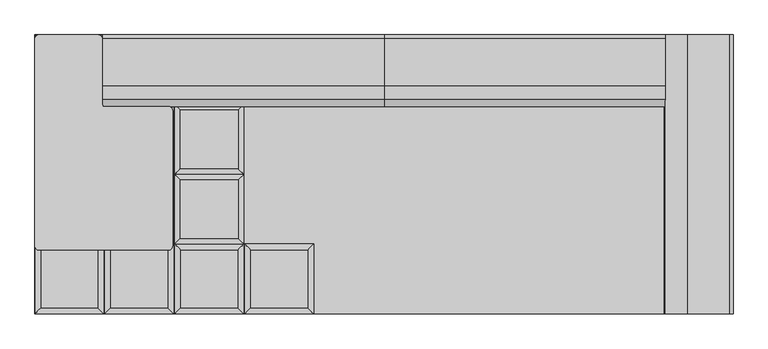
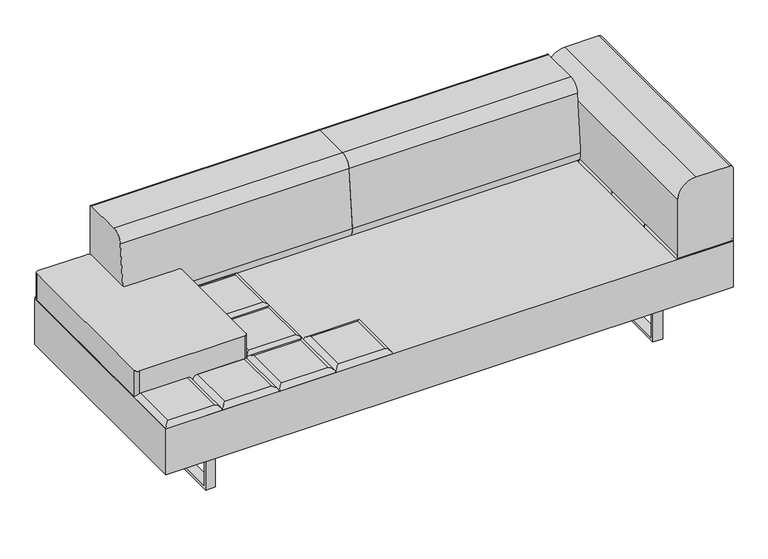
"""IFC4 building model written with IfcOpenShell, lengths in millimetres: furniture geometry."""

from ifc_helpers import new_model, si_unit, point, frame, frame_2d, origin, place, context, project, spatial, polyline, circle_curve, ellipse_curve, trimmed, segment, composite_curve, outline, extrude, source, transform, mapped, element, save
from ifc_brep_helpers import plane_surface, cylinder_surface, advanced_brep


def furniture_9a523c60(model_context):
    return source(origin(), model_context, "Body", "SolidModel", [
        advanced_brep(
        [(-223.9433333, -222.25, 393.7), (-241.9038456, -240.2105122, 411.6605122), (-241.9038456, -426.5394878, 411.6605122), (-223.9433333, -444.5, 393.7), (-425.6928211, -426.5394878, 411.6605122), (-443.6533333, -444.5, 393.7), (-425.6928211, -240.2105122, 411.6605122), (-443.6533333, -222.25, 393.7)],
        [
            (0, 1, ellipse_curve(frame((-241.9038456, -240.2105122, 393.7), z_axis=(0.7071067811865475, -0.7071067811865475, 0.0), x_axis=(0.7071067811865474, 0.7071067811865476, 0.0)), 25.4, 17.9605122)),
            (1, 2),
            (2, 3, ellipse_curve(frame((-241.9038456, -426.5394878, 393.7), z_axis=(0.7071067811865475, 0.7071067811865475, 0.0), x_axis=(-0.7071067811865474, 0.7071067811865476, 0.0)), 25.4, 17.9605122)),
            (3, 0),
            (2, 4),
            (4, 5, ellipse_curve(frame((-425.6928211, -426.5394878, 393.7), z_axis=(0.7071067811865475, -0.7071067811865475, 0.0), x_axis=(0.7071067811865476, 0.7071067811865474, 0.0)), 25.4, 17.9605122)),
            (5, 3),
            (4, 6),
            (6, 7, ellipse_curve(frame((-425.6928211, -240.2105122, 393.7), z_axis=(-0.7071067811865475, -0.7071067811865475, 0.0), x_axis=(0.7071067811865474, -0.7071067811865476, 0.0)), 25.4, 17.9605122)),
            (7, 5),
            (0, 7),
            (6, 1),
        ],
        [
            cylinder_surface(frame((-241.9038456, -222.25, 393.7), z_axis=(0.0, 1.0, 0.0), x_axis=(1.0, 0.0, 0.0)), 17.9605122),
            cylinder_surface(frame((-223.9433333, -426.5394878, 393.7), z_axis=(1.0, 0.0, 0.0), x_axis=(0.0, -1.0, 0.0)), 17.9605122),
            cylinder_surface(frame((-425.6928211, -444.5, 393.7), z_axis=(0.0, -1.0, 0.0), x_axis=(-1.0, 0.0, 0.0)), 17.9605122),
            cylinder_surface(frame((-443.6533333, -240.2105122, 393.7), z_axis=(-1.0, 0.0, 0.0), x_axis=(0.0, 1.0, 0.0)), 17.9605122),
            plane_surface(frame((-443.6533333, -222.25, 393.7), z_axis=(0.0, 0.0, -1.0), x_axis=(1.0, 0.0, 0.0))),
            plane_surface(frame((-425.6928211, -240.2105122, 411.6605122), z_axis=(0.0, 0.0, 1.0), x_axis=(-1.0, 0.0, 0.0))),
        ],
        [
            (0, [[1, 2, 3, 4]]),
            (1, [[-3, 5, 6, 7]]),
            (2, [[-6, 8, 9, 10]]),
            (3, [[-1, 11, -9, 12]]),
            (4, [[-4, -7, -10, -11]]),
            (5, [[-2, -12, -8, -5]]),
        ],
    ),
        advanced_brep(
        [(-464.4360678, -204.2894878, 411.6605122), (-464.4360678, -17.9605122, 411.6605122), (-648.2250433, -17.9605122, 411.6605122), (-648.2250433, -204.2894878, 411.6605122), (-446.4755556, 0.0, 393.7), (-446.4755556, -222.25, 393.7), (-666.1855556, -222.25, 393.7), (-666.1855556, 0.0, 393.7)],
        [
            (0, 1),
            (1, 2),
            (2, 3),
            (3, 0),
            (4, 5),
            (5, 6),
            (6, 7),
            (7, 4),
            (4, 1, ellipse_curve(frame((-464.4360678, -17.9605122, 393.7), z_axis=(0.7071067811865475, -0.7071067811865475, 0.0), x_axis=(0.7071067811865474, 0.7071067811865476, 0.0)), 25.4, 17.9605122)),
            (0, 5, ellipse_curve(frame((-464.4360678, -204.2894878, 393.7), z_axis=(0.7071067811865475, 0.7071067811865475, 0.0), x_axis=(-0.7071067811865474, 0.7071067811865476, 0.0)), 25.4, 17.9605122)),
            (3, 6, ellipse_curve(frame((-648.2250433, -204.2894878, 393.7), z_axis=(0.7071067811865475, -0.7071067811865475, 0.0), x_axis=(0.7071067811865476, 0.7071067811865474, 0.0)), 25.4, 17.9605122)),
            (2, 7, ellipse_curve(frame((-648.2250433, -17.9605122, 393.7), z_axis=(-0.7071067811865475, -0.7071067811865475, 0.0), x_axis=(0.7071067811865474, -0.7071067811865476, 0.0)), 25.4, 17.9605122)),
        ],
        [
            plane_surface(frame((-648.2250433, -17.9605122, 411.6605122), z_axis=(0.0, 0.0, 1.0), x_axis=(-1.0, 0.0, 0.0))),
            plane_surface(frame((-648.2250433, -17.9605122, 393.7), z_axis=(0.0, 0.0, -1.0), x_axis=(1.0, 0.0, 0.0))),
            cylinder_surface(frame((-464.4360678, 0.0, 393.7), z_axis=(0.0, 1.0, 0.0), x_axis=(1.0, 0.0, 0.0)), 17.9605122),
            cylinder_surface(frame((-446.4755556, -204.2894878, 393.7), z_axis=(1.0, 0.0, 0.0), x_axis=(0.0, -1.0, 0.0)), 17.9605122),
            cylinder_surface(frame((-648.2250433, -222.25, 393.7), z_axis=(0.0, -1.0, 0.0), x_axis=(-1.0, 0.0, 0.0)), 17.9605122),
            cylinder_surface(frame((-666.1855556, -17.9605122, 393.7), z_axis=(-1.0, 0.0, 0.0), x_axis=(0.0, 1.0, 0.0)), 17.9605122),
        ],
        [
            (0, [[1, 2, 3, 4]]),
            (1, [[5, 6, 7, 8]]),
            (2, [[9, -1, 10, -5]]),
            (3, [[-10, -4, 11, -6]]),
            (4, [[-11, -3, 12, -7]]),
            (5, [[-9, -8, -12, -2]]),
        ],
    ),
        advanced_brep(
        [(-464.4360678, 17.9605122, 411.6605122), (-464.4360678, 204.2894878, 411.6605122), (-648.2250433, 204.2894878, 411.6605122), (-648.2250433, 17.9605122, 411.6605122), (-446.4755556, 222.25, 393.7), (-446.4755556, 0.0, 393.7), (-666.1855556, 0.0, 393.7), (-666.1855556, 222.25, 393.7)],
        [
            (0, 1),
            (1, 2),
            (2, 3),
            (3, 0),
            (4, 5),
            (5, 6),
            (6, 7),
            (7, 4),
            (4, 1, ellipse_curve(frame((-464.4360678, 204.2894878, 393.7), z_axis=(0.7071067811865475, -0.7071067811865475, 0.0), x_axis=(0.7071067811865474, 0.7071067811865476, 0.0)), 25.4, 17.9605122)),
            (0, 5, ellipse_curve(frame((-464.4360678, 17.9605122, 393.7), z_axis=(0.7071067811865475, 0.7071067811865475, 0.0), x_axis=(-0.7071067811865474, 0.7071067811865476, 0.0)), 25.4, 17.9605122)),
            (3, 6, ellipse_curve(frame((-648.2250433, 17.9605122, 393.7), z_axis=(0.7071067811865475, -0.7071067811865475, 0.0), x_axis=(0.7071067811865476, 0.7071067811865474, 0.0)), 25.4, 17.9605122)),
            (2, 7, ellipse_curve(frame((-648.2250433, 204.2894878, 393.7), z_axis=(-0.7071067811865475, -0.7071067811865475, 0.0), x_axis=(0.7071067811865474, -0.7071067811865476, 0.0)), 25.4, 17.9605122)),
        ],
        [
            plane_surface(frame((-648.2250433, 204.2894878, 411.6605122), z_axis=(0.0, 0.0, 1.0), x_axis=(-1.0, 0.0, 0.0))),
            plane_surface(frame((-648.2250433, 204.2894878, 393.7), z_axis=(0.0, 0.0, -1.0), x_axis=(1.0, 0.0, 0.0))),
            cylinder_surface(frame((-464.4360678, 222.25, 393.7), z_axis=(0.0, 1.0, 0.0), x_axis=(1.0, 0.0, 0.0)), 17.9605122),
            cylinder_surface(frame((-446.4755556, 17.9605122, 393.7), z_axis=(1.0, 0.0, 0.0), x_axis=(0.0, -1.0, 0.0)), 17.9605122),
            cylinder_surface(frame((-648.2250433, 0.0, 393.7), z_axis=(0.0, -1.0, 0.0), x_axis=(-1.0, 0.0, 0.0)), 17.9605122),
            cylinder_surface(frame((-666.1855556, 204.2894878, 393.7), z_axis=(-1.0, 0.0, 0.0), x_axis=(0.0, 1.0, 0.0)), 17.9605122),
        ],
        [
            (0, [[1, 2, 3, 4]]),
            (1, [[5, 6, 7, 8]]),
            (2, [[9, -1, 10, -5]]),
            (3, [[-10, -4, 11, -6]]),
            (4, [[-11, -3, 12, -7]]),
            (5, [[-9, -8, -12, -2]]),
        ],
    ),
        advanced_brep(
        [(-464.4360678, 240.2105122, 411.6605122), (-464.4360678, 426.5394878, 411.6605122), (-648.2250433, 426.5394878, 411.6605122), (-648.2250433, 240.2105122, 411.6605122), (-446.4755556, 444.5, 393.7), (-446.4755556, 222.25, 393.7), (-666.1855556, 222.25, 393.7), (-666.1855556, 444.5, 393.7)],
        [
            (0, 1),
            (1, 2),
            (2, 3),
            (3, 0),
            (4, 5),
            (5, 6),
            (6, 7),
            (7, 4),
            (4, 1, ellipse_curve(frame((-464.4360678, 426.5394878, 393.7), z_axis=(0.7071067811865475, -0.7071067811865475, 0.0), x_axis=(0.7071067811865474, 0.7071067811865476, 0.0)), 25.4, 17.9605122)),
            (0, 5, ellipse_curve(frame((-464.4360678, 240.2105122, 393.7), z_axis=(0.7071067811865475, 0.7071067811865475, 0.0), x_axis=(-0.7071067811865474, 0.7071067811865476, 0.0)), 25.4, 17.9605122)),
            (3, 6, ellipse_curve(frame((-648.2250433, 240.2105122, 393.7), z_axis=(0.7071067811865475, -0.7071067811865475, 0.0), x_axis=(0.7071067811865476, 0.7071067811865474, 0.0)), 25.4, 17.9605122)),
            (2, 7, ellipse_curve(frame((-648.2250433, 426.5394878, 393.7), z_axis=(-0.7071067811865475, -0.7071067811865475, 0.0), x_axis=(0.7071067811865474, -0.7071067811865476, 0.0)), 25.4, 17.9605122)),
        ],
        [
            plane_surface(frame((-648.2250433, 426.5394878, 411.6605122), z_axis=(0.0, 0.0, 1.0), x_axis=(-1.0, 0.0, 0.0))),
            plane_surface(frame((-648.2250433, 426.5394878, 393.7), z_axis=(0.0, 0.0, -1.0), x_axis=(1.0, 0.0, 0.0))),
            cylinder_surface(frame((-464.4360678, 444.5, 393.7), z_axis=(0.0, 1.0, 0.0), x_axis=(1.0, 0.0, 0.0)), 17.9605122),
            cylinder_surface(frame((-446.4755556, 240.2105122, 393.7), z_axis=(1.0, 0.0, 0.0), x_axis=(0.0, -1.0, 0.0)), 17.9605122),
            cylinder_surface(frame((-648.2250433, 222.25, 393.7), z_axis=(0.0, -1.0, 0.0), x_axis=(-1.0, 0.0, 0.0)), 17.9605122),
            cylinder_surface(frame((-666.1855556, 426.5394878, 393.7), z_axis=(-1.0, 0.0, 0.0), x_axis=(0.0, 1.0, 0.0)), 17.9605122),
        ],
        [
            (0, [[1, 2, 3, 4]]),
            (1, [[5, 6, 7, 8]]),
            (2, [[9, -1, 10, -5]]),
            (3, [[-10, -4, 11, -6]]),
            (4, [[-11, -3, 12, -7]]),
            (5, [[-9, -8, -12, -2]]),
        ],
    ),
        advanced_brep(
        [(-446.4755556, -222.25, 393.7), (-464.4360678, -240.2105122, 411.6605122), (-464.4360678, -426.5394878, 411.6605122), (-446.4755556, -444.5, 393.7), (-648.2250433, -426.5394878, 411.6605122), (-666.1855556, -444.5, 393.7), (-648.2250433, -240.2105122, 411.6605122), (-666.1855556, -222.25, 393.7)],
        [
            (0, 1, ellipse_curve(frame((-464.4360678, -240.2105122, 393.7), z_axis=(0.7071067811865475, -0.7071067811865475, 0.0), x_axis=(0.7071067811865474, 0.7071067811865476, 0.0)), 25.4, 17.9605122)),
            (1, 2),
            (2, 3, ellipse_curve(frame((-464.4360678, -426.5394878, 393.7), z_axis=(0.7071067811865475, 0.7071067811865475, 0.0), x_axis=(-0.7071067811865474, 0.7071067811865476, 0.0)), 25.4, 17.9605122)),
            (3, 0),
            (2, 4),
            (4, 5, ellipse_curve(frame((-648.2250433, -426.5394878, 393.7), z_axis=(0.7071067811865475, -0.7071067811865475, 0.0), x_axis=(0.7071067811865476, 0.7071067811865474, 0.0)), 25.4, 17.9605122)),
            (5, 3),
            (4, 6),
            (6, 7, ellipse_curve(frame((-648.2250433, -240.2105122, 393.7), z_axis=(-0.7071067811865475, -0.7071067811865475, 0.0), x_axis=(0.7071067811865474, -0.7071067811865476, 0.0)), 25.4, 17.9605122)),
            (7, 5),
            (0, 7),
            (6, 1),
        ],
        [
            cylinder_surface(frame((-464.4360678, -222.25, 393.7), z_axis=(0.0, 1.0, 0.0), x_axis=(1.0, 0.0, 0.0)), 17.9605122),
            cylinder_surface(frame((-446.4755556, -426.5394878, 393.7), z_axis=(1.0, 0.0, 0.0), x_axis=(0.0, -1.0, 0.0)), 17.9605122),
            cylinder_surface(frame((-648.2250433, -444.5, 393.7), z_axis=(0.0, -1.0, 0.0), x_axis=(-1.0, 0.0, 0.0)), 17.9605122),
            cylinder_surface(frame((-666.1855556, -240.2105122, 393.7), z_axis=(-1.0, 0.0, 0.0), x_axis=(0.0, 1.0, 0.0)), 17.9605122),
            plane_surface(frame((-666.1855556, -222.25, 393.7), z_axis=(0.0, 0.0, -1.0), x_axis=(1.0, 0.0, 0.0))),
            plane_surface(frame((-648.2250433, -240.2105122, 411.6605122), z_axis=(0.0, 0.0, 1.0), x_axis=(-1.0, 0.0, 0.0))),
        ],
        [
            (0, [[1, 2, 3, 4]]),
            (1, [[-3, 5, 6, 7]]),
            (2, [[-6, 8, 9, 10]]),
            (3, [[-1, 11, -9, 12]]),
            (4, [[-4, -7, -10, -11]]),
            (5, [[-2, -12, -8, -5]]),
        ],
    ),
        advanced_brep(
        [(-686.96829, -204.2894878, 411.6605122), (-686.96829, -17.9605122, 411.6605122), (-870.7572655, -17.9605122, 411.6605122), (-870.7572655, -204.2894878, 411.6605122), (-669.0077778, 0.0, 393.7), (-669.0077778, -222.25, 393.7), (-888.7177778, -222.25, 393.7), (-888.7177778, 0.0, 393.7)],
        [
            (0, 1),
            (1, 2),
            (2, 3),
            (3, 0),
            (4, 5),
            (5, 6),
            (6, 7),
            (7, 4),
            (4, 1, ellipse_curve(frame((-686.96829, -17.9605122, 393.7), z_axis=(0.7071067811865475, -0.7071067811865475, 0.0), x_axis=(0.7071067811865474, 0.7071067811865476, 0.0)), 25.4, 17.9605122)),
            (0, 5, ellipse_curve(frame((-686.96829, -204.2894878, 393.7), z_axis=(0.7071067811865475, 0.7071067811865475, 0.0), x_axis=(-0.7071067811865474, 0.7071067811865476, 0.0)), 25.4, 17.9605122)),
            (3, 6, ellipse_curve(frame((-870.7572655, -204.2894878, 393.7), z_axis=(0.7071067811865475, -0.7071067811865475, 0.0), x_axis=(0.7071067811865476, 0.7071067811865474, 0.0)), 25.4, 17.9605122)),
            (2, 7, ellipse_curve(frame((-870.7572655, -17.9605122, 393.7), z_axis=(-0.7071067811865475, -0.7071067811865475, 0.0), x_axis=(0.7071067811865474, -0.7071067811865476, 0.0)), 25.4, 17.9605122)),
        ],
        [
            plane_surface(frame((-870.7572655, -17.9605122, 411.6605122), z_axis=(0.0, 0.0, 1.0), x_axis=(-1.0, 0.0, 0.0))),
            plane_surface(frame((-870.7572655, -17.9605122, 393.7), z_axis=(0.0, 0.0, -1.0), x_axis=(1.0, 0.0, 0.0))),
            cylinder_surface(frame((-686.96829, 0.0, 393.7), z_axis=(0.0, 1.0, 0.0), x_axis=(1.0, 0.0, 0.0)), 17.9605122),
            cylinder_surface(frame((-669.0077778, -204.2894878, 393.7), z_axis=(1.0, 0.0, 0.0), x_axis=(0.0, -1.0, 0.0)), 17.9605122),
            cylinder_surface(frame((-870.7572655, -222.25, 393.7), z_axis=(0.0, -1.0, 0.0), x_axis=(-1.0, 0.0, 0.0)), 17.9605122),
            cylinder_surface(frame((-888.7177778, -17.9605122, 393.7), z_axis=(-1.0, 0.0, 0.0), x_axis=(0.0, 1.0, 0.0)), 17.9605122),
        ],
        [
            (0, [[1, 2, 3, 4]]),
            (1, [[5, 6, 7, 8]]),
            (2, [[9, -1, 10, -5]]),
            (3, [[-10, -4, 11, -6]]),
            (4, [[-11, -3, 12, -7]]),
            (5, [[-9, -8, -12, -2]]),
        ],
    ),
        advanced_brep(
        [(-686.96829, 17.9605122, 411.6605122), (-686.96829, 204.2894878, 411.6605122), (-870.7572655, 204.2894878, 411.6605122), (-870.7572655, 17.9605122, 411.6605122), (-669.0077778, 222.25, 393.7), (-669.0077778, 0.0, 393.7), (-888.7177778, 0.0, 393.7), (-888.7177778, 222.25, 393.7)],
        [
            (0, 1),
            (1, 2),
            (2, 3),
            (3, 0),
            (4, 5),
            (5, 6),
            (6, 7),
            (7, 4),
            (4, 1, ellipse_curve(frame((-686.96829, 204.2894878, 393.7), z_axis=(0.7071067811865475, -0.7071067811865475, 0.0), x_axis=(0.7071067811865474, 0.7071067811865476, 0.0)), 25.4, 17.9605122)),
            (0, 5, ellipse_curve(frame((-686.96829, 17.9605122, 393.7), z_axis=(0.7071067811865475, 0.7071067811865475, 0.0), x_axis=(-0.7071067811865474, 0.7071067811865476, 0.0)), 25.4, 17.9605122)),
            (3, 6, ellipse_curve(frame((-870.7572655, 17.9605122, 393.7), z_axis=(0.7071067811865475, -0.7071067811865475, 0.0), x_axis=(0.7071067811865476, 0.7071067811865474, 0.0)), 25.4, 17.9605122)),
            (2, 7, ellipse_curve(frame((-870.7572655, 204.2894878, 393.7), z_axis=(-0.7071067811865475, -0.7071067811865475, 0.0), x_axis=(0.7071067811865474, -0.7071067811865476, 0.0)), 25.4, 17.9605122)),
        ],
        [
            plane_surface(frame((-870.7572655, 204.2894878, 411.6605122), z_axis=(0.0, 0.0, 1.0), x_axis=(-1.0, 0.0, 0.0))),
            plane_surface(frame((-870.7572655, 204.2894878, 393.7), z_axis=(0.0, 0.0, -1.0), x_axis=(1.0, 0.0, 0.0))),
            cylinder_surface(frame((-686.96829, 222.25, 393.7), z_axis=(0.0, 1.0, 0.0), x_axis=(1.0, 0.0, 0.0)), 17.9605122),
            cylinder_surface(frame((-669.0077778, 17.9605122, 393.7), z_axis=(1.0, 0.0, 0.0), x_axis=(0.0, -1.0, 0.0)), 17.9605122),
            cylinder_surface(frame((-870.7572655, 0.0, 393.7), z_axis=(0.0, -1.0, 0.0), x_axis=(-1.0, 0.0, 0.0)), 17.9605122),
            cylinder_surface(frame((-888.7177778, 204.2894878, 393.7), z_axis=(-1.0, 0.0, 0.0), x_axis=(0.0, 1.0, 0.0)), 17.9605122),
        ],
        [
            (0, [[1, 2, 3, 4]]),
            (1, [[5, 6, 7, 8]]),
            (2, [[9, -1, 10, -5]]),
            (3, [[-10, -4, 11, -6]]),
            (4, [[-11, -3, 12, -7]]),
            (5, [[-9, -8, -12, -2]]),
        ],
    ),
        advanced_brep(
        [(-686.96829, 240.2105122, 411.6605122), (-686.96829, 426.5394878, 411.6605122), (-870.7572655, 426.5394878, 411.6605122), (-870.7572655, 240.2105122, 411.6605122), (-669.0077778, 444.5, 393.7), (-669.0077778, 222.25, 393.7), (-888.7177778, 222.25, 393.7), (-888.7177778, 444.5, 393.7)],
        [
            (0, 1),
            (1, 2),
            (2, 3),
            (3, 0),
            (4, 5),
            (5, 6),
            (6, 7),
            (7, 4),
            (4, 1, ellipse_curve(frame((-686.96829, 426.5394878, 393.7), z_axis=(0.7071067811865475, -0.7071067811865475, 0.0), x_axis=(0.7071067811865474, 0.7071067811865476, 0.0)), 25.4, 17.9605122)),
            (0, 5, ellipse_curve(frame((-686.96829, 240.2105122, 393.7), z_axis=(0.7071067811865475, 0.7071067811865475, 0.0), x_axis=(-0.7071067811865474, 0.7071067811865476, 0.0)), 25.4, 17.9605122)),
            (3, 6, ellipse_curve(frame((-870.7572655, 240.2105122, 393.7), z_axis=(0.7071067811865475, -0.7071067811865475, 0.0), x_axis=(0.7071067811865476, 0.7071067811865474, 0.0)), 25.4, 17.9605122)),
            (2, 7, ellipse_curve(frame((-870.7572655, 426.5394878, 393.7), z_axis=(-0.7071067811865475, -0.7071067811865475, 0.0), x_axis=(0.7071067811865474, -0.7071067811865476, 0.0)), 25.4, 17.9605122)),
        ],
        [
            plane_surface(frame((-870.7572655, 426.5394878, 411.6605122), z_axis=(0.0, 0.0, 1.0), x_axis=(-1.0, 0.0, 0.0))),
            plane_surface(frame((-870.7572655, 426.5394878, 393.7), z_axis=(0.0, 0.0, -1.0), x_axis=(1.0, 0.0, 0.0))),
            cylinder_surface(frame((-686.96829, 444.5, 393.7), z_axis=(0.0, 1.0, 0.0), x_axis=(1.0, 0.0, 0.0)), 17.9605122),
            cylinder_surface(frame((-669.0077778, 240.2105122, 393.7), z_axis=(1.0, 0.0, 0.0), x_axis=(0.0, -1.0, 0.0)), 17.9605122),
            cylinder_surface(frame((-870.7572655, 222.25, 393.7), z_axis=(0.0, -1.0, 0.0), x_axis=(-1.0, 0.0, 0.0)), 17.9605122),
            cylinder_surface(frame((-888.7177778, 426.5394878, 393.7), z_axis=(-1.0, 0.0, 0.0), x_axis=(0.0, 1.0, 0.0)), 17.9605122),
        ],
        [
            (0, [[1, 2, 3, 4]]),
            (1, [[5, 6, 7, 8]]),
            (2, [[9, -1, 10, -5]]),
            (3, [[-10, -4, 11, -6]]),
            (4, [[-11, -3, 12, -7]]),
            (5, [[-9, -8, -12, -2]]),
        ],
    ),
        advanced_brep(
        [(-669.0077778, -222.25, 393.7), (-686.96829, -240.2105122, 411.6605122), (-686.96829, -426.5394878, 411.6605122), (-669.0077778, -444.5, 393.7), (-870.7572655, -426.5394878, 411.6605122), (-888.7177778, -444.5, 393.7), (-870.7572655, -240.2105122, 411.6605122), (-888.7177778, -222.25, 393.7)],
        [
            (0, 1, ellipse_curve(frame((-686.96829, -240.2105122, 393.7), z_axis=(0.7071067811865475, -0.7071067811865475, 0.0), x_axis=(0.7071067811865474, 0.7071067811865476, 0.0)), 25.4, 17.9605122)),
            (1, 2),
            (2, 3, ellipse_curve(frame((-686.96829, -426.5394878, 393.7), z_axis=(0.7071067811865475, 0.7071067811865475, 0.0), x_axis=(-0.7071067811865474, 0.7071067811865476, 0.0)), 25.4, 17.9605122)),
            (3, 0),
            (2, 4),
            (4, 5, ellipse_curve(frame((-870.7572655, -426.5394878, 393.7), z_axis=(0.7071067811865475, -0.7071067811865475, 0.0), x_axis=(0.7071067811865476, 0.7071067811865474, 0.0)), 25.4, 17.9605122)),
            (5, 3),
            (4, 6),
            (6, 7, ellipse_curve(frame((-870.7572655, -240.2105122, 393.7), z_axis=(-0.7071067811865475, -0.7071067811865475, 0.0), x_axis=(0.7071067811865474, -0.7071067811865476, 0.0)), 25.4, 17.9605122)),
            (7, 5),
            (0, 7),
            (6, 1),
        ],
        [
            cylinder_surface(frame((-686.96829, -222.25, 393.7), z_axis=(0.0, 1.0, 0.0), x_axis=(1.0, 0.0, 0.0)), 17.9605122),
            cylinder_surface(frame((-669.0077778, -426.5394878, 393.7), z_axis=(1.0, 0.0, 0.0), x_axis=(0.0, -1.0, 0.0)), 17.9605122),
            cylinder_surface(frame((-870.7572655, -444.5, 393.7), z_axis=(0.0, -1.0, 0.0), x_axis=(-1.0, 0.0, 0.0)), 17.9605122),
            cylinder_surface(frame((-888.7177778, -240.2105122, 393.7), z_axis=(-1.0, 0.0, 0.0), x_axis=(0.0, 1.0, 0.0)), 17.9605122),
            plane_surface(frame((-888.7177778, -222.25, 393.7), z_axis=(0.0, 0.0, -1.0), x_axis=(1.0, 0.0, 0.0))),
            plane_surface(frame((-870.7572655, -240.2105122, 411.6605122), z_axis=(0.0, 0.0, 1.0), x_axis=(-1.0, 0.0, 0.0))),
        ],
        [
            (0, [[1, 2, 3, 4]]),
            (1, [[-3, 5, 6, 7]]),
            (2, [[-6, 8, 9, 10]]),
            (3, [[-1, 11, -9, 12]]),
            (4, [[-4, -7, -10, -11]]),
            (5, [[-2, -12, -8, -5]]),
        ],
    ),
        advanced_brep(
        [(1093.2894878, -204.2894878, 411.6605122), (1093.2894878, -17.9605122, 411.6605122), (909.5005122, -17.9605122, 411.6605122), (909.5005122, -204.2894878, 411.6605122), (1111.25, 0.0, 393.7), (1111.25, -222.25, 393.7), (891.54, -222.25, 393.7), (891.54, 0.0, 393.7)],
        [
            (0, 1),
            (1, 2),
            (2, 3),
            (3, 0),
            (4, 5),
            (5, 6),
            (6, 7),
            (7, 4),
            (4, 1, ellipse_curve(frame((1093.2894878, -17.9605122, 393.7), z_axis=(0.7071067811865475, -0.7071067811865475, 0.0), x_axis=(0.7071067811865474, 0.7071067811865476, 0.0)), 25.4, 17.9605122)),
            (0, 5, ellipse_curve(frame((1093.2894878, -204.2894878, 393.7), z_axis=(0.7071067811865475, 0.7071067811865475, 0.0), x_axis=(-0.7071067811865474, 0.7071067811865476, 0.0)), 25.4, 17.9605122)),
            (3, 6, ellipse_curve(frame((909.5005122, -204.2894878, 393.7), z_axis=(0.7071067811865475, -0.7071067811865475, 0.0), x_axis=(0.7071067811865476, 0.7071067811865474, 0.0)), 25.4, 17.9605122)),
            (2, 7, ellipse_curve(frame((909.5005122, -17.9605122, 393.7), z_axis=(-0.7071067811865475, -0.7071067811865475, 0.0), x_axis=(0.7071067811865474, -0.7071067811865476, 0.0)), 25.4, 17.9605122)),
        ],
        [
            plane_surface(frame((909.5005122, -17.9605122, 411.6605122), z_axis=(0.0, 0.0, 1.0), x_axis=(-1.0, 0.0, 0.0))),
            plane_surface(frame((909.5005122, -17.9605122, 393.7), z_axis=(0.0, 0.0, -1.0), x_axis=(1.0, 0.0, 0.0))),
            cylinder_surface(frame((1093.2894878, 0.0, 393.7), z_axis=(0.0, 1.0, 0.0), x_axis=(1.0, 0.0, 0.0)), 17.9605122),
            cylinder_surface(frame((1111.25, -204.2894878, 393.7), z_axis=(1.0, 0.0, 0.0), x_axis=(0.0, -1.0, 0.0)), 17.9605122),
            cylinder_surface(frame((909.5005122, -222.25, 393.7), z_axis=(0.0, -1.0, 0.0), x_axis=(-1.0, 0.0, 0.0)), 17.9605122),
            cylinder_surface(frame((891.54, -17.9605122, 393.7), z_axis=(-1.0, 0.0, 0.0), x_axis=(0.0, 1.0, 0.0)), 17.9605122),
        ],
        [
            (0, [[1, 2, 3, 4]]),
            (1, [[5, 6, 7, 8]]),
            (2, [[9, -1, 10, -5]]),
            (3, [[-10, -4, 11, -6]]),
            (4, [[-11, -3, 12, -7]]),
            (5, [[-9, -8, -12, -2]]),
        ],
    ),
        advanced_brep(
        [(1093.2894878, 17.9605122, 411.6605122), (1093.2894878, 204.2894878, 411.6605122), (909.5005122, 204.2894878, 411.6605122), (909.5005122, 17.9605122, 411.6605122), (1111.25, 222.25, 393.7), (1111.25, 0.0, 393.7), (891.54, 0.0, 393.7), (891.54, 222.25, 393.7)],
        [
            (0, 1),
            (1, 2),
            (2, 3),
            (3, 0),
            (4, 5),
            (5, 6),
            (6, 7),
            (7, 4),
            (4, 1, ellipse_curve(frame((1093.2894878, 204.2894878, 393.7), z_axis=(0.7071067811865475, -0.7071067811865475, 0.0), x_axis=(0.7071067811865474, 0.7071067811865476, 0.0)), 25.4, 17.9605122)),
            (0, 5, ellipse_curve(frame((1093.2894878, 17.9605122, 393.7), z_axis=(0.7071067811865475, 0.7071067811865475, 0.0), x_axis=(-0.7071067811865474, 0.7071067811865476, 0.0)), 25.4, 17.9605122)),
            (3, 6, ellipse_curve(frame((909.5005122, 17.9605122, 393.7), z_axis=(0.7071067811865475, -0.7071067811865475, 0.0), x_axis=(0.7071067811865476, 0.7071067811865474, 0.0)), 25.4, 17.9605122)),
            (2, 7, ellipse_curve(frame((909.5005122, 204.2894878, 393.7), z_axis=(-0.7071067811865475, -0.7071067811865475, 0.0), x_axis=(0.7071067811865474, -0.7071067811865476, 0.0)), 25.4, 17.9605122)),
        ],
        [
            plane_surface(frame((909.5005122, 204.2894878, 411.6605122), z_axis=(0.0, 0.0, 1.0), x_axis=(-1.0, 0.0, 0.0))),
            plane_surface(frame((909.5005122, 204.2894878, 393.7), z_axis=(0.0, 0.0, -1.0), x_axis=(1.0, 0.0, 0.0))),
            cylinder_surface(frame((1093.2894878, 222.25, 393.7), z_axis=(0.0, 1.0, 0.0), x_axis=(1.0, 0.0, 0.0)), 17.9605122),
            cylinder_surface(frame((1111.25, 17.9605122, 393.7), z_axis=(1.0, 0.0, 0.0), x_axis=(0.0, -1.0, 0.0)), 17.9605122),
            cylinder_surface(frame((909.5005122, 0.0, 393.7), z_axis=(0.0, -1.0, 0.0), x_axis=(-1.0, 0.0, 0.0)), 17.9605122),
            cylinder_surface(frame((891.54, 204.2894878, 393.7), z_axis=(-1.0, 0.0, 0.0), x_axis=(0.0, 1.0, 0.0)), 17.9605122),
        ],
        [
            (0, [[1, 2, 3, 4]]),
            (1, [[5, 6, 7, 8]]),
            (2, [[9, -1, 10, -5]]),
            (3, [[-10, -4, 11, -6]]),
            (4, [[-11, -3, 12, -7]]),
            (5, [[-9, -8, -12, -2]]),
        ],
    ),
        advanced_brep(
        [(1093.2894878, 240.2105122, 411.6605122), (1093.2894878, 426.5394878, 411.6605122), (909.5005122, 426.5394878, 411.6605122), (909.5005122, 240.2105122, 411.6605122), (1111.25, 444.5, 393.7), (1111.25, 222.25, 393.7), (891.54, 222.25, 393.7), (891.54, 444.5, 393.7)],
        [
            (0, 1),
            (1, 2),
            (2, 3),
            (3, 0),
            (4, 5),
            (5, 6),
            (6, 7),
            (7, 4),
            (4, 1, ellipse_curve(frame((1093.2894878, 426.5394878, 393.7), z_axis=(0.7071067811865475, -0.7071067811865475, 0.0), x_axis=(0.7071067811865474, 0.7071067811865476, 0.0)), 25.4, 17.9605122)),
            (0, 5, ellipse_curve(frame((1093.2894878, 240.2105122, 393.7), z_axis=(0.7071067811865475, 0.7071067811865475, 0.0), x_axis=(-0.7071067811865474, 0.7071067811865476, 0.0)), 25.4, 17.9605122)),
            (3, 6, ellipse_curve(frame((909.5005122, 240.2105122, 393.7), z_axis=(0.7071067811865475, -0.7071067811865475, 0.0), x_axis=(0.7071067811865476, 0.7071067811865474, 0.0)), 25.4, 17.9605122)),
            (2, 7, ellipse_curve(frame((909.5005122, 426.5394878, 393.7), z_axis=(-0.7071067811865475, -0.7071067811865475, 0.0), x_axis=(0.7071067811865474, -0.7071067811865476, 0.0)), 25.4, 17.9605122)),
        ],
        [
            plane_surface(frame((909.5005122, 426.5394878, 411.6605122), z_axis=(0.0, 0.0, 1.0), x_axis=(-1.0, 0.0, 0.0))),
            plane_surface(frame((909.5005122, 426.5394878, 393.7), z_axis=(0.0, 0.0, -1.0), x_axis=(1.0, 0.0, 0.0))),
            cylinder_surface(frame((1093.2894878, 444.5, 393.7), z_axis=(0.0, 1.0, 0.0), x_axis=(1.0, 0.0, 0.0)), 17.9605122),
            cylinder_surface(frame((1111.25, 240.2105122, 393.7), z_axis=(1.0, 0.0, 0.0), x_axis=(0.0, -1.0, 0.0)), 17.9605122),
            cylinder_surface(frame((909.5005122, 222.25, 393.7), z_axis=(0.0, -1.0, 0.0), x_axis=(-1.0, 0.0, 0.0)), 17.9605122),
            cylinder_surface(frame((891.54, 426.5394878, 393.7), z_axis=(-1.0, 0.0, 0.0), x_axis=(0.0, 1.0, 0.0)), 17.9605122),
        ],
        [
            (0, [[1, 2, 3, 4]]),
            (1, [[5, 6, 7, 8]]),
            (2, [[9, -1, 10, -5]]),
            (3, [[-10, -4, 11, -6]]),
            (4, [[-11, -3, 12, -7]]),
            (5, [[-9, -8, -12, -2]]),
        ],
    ),
        advanced_brep(
        [(1111.25, -222.25, 393.7), (1093.2894878, -240.2105122, 411.6605122), (1093.2894878, -426.5394878, 411.6605122), (1111.25, -444.5, 393.7), (909.5005122, -426.5394878, 411.6605122), (891.54, -444.5, 393.7), (909.5005122, -240.2105122, 411.6605122), (891.54, -222.25, 393.7)],
        [
            (0, 1, ellipse_curve(frame((1093.2894878, -240.2105122, 393.7), z_axis=(0.7071067811865475, -0.7071067811865475, 0.0), x_axis=(0.7071067811865474, 0.7071067811865476, 0.0)), 25.4, 17.9605122)),
            (1, 2),
            (2, 3, ellipse_curve(frame((1093.2894878, -426.5394878, 393.7), z_axis=(0.7071067811865475, 0.7071067811865475, 0.0), x_axis=(-0.7071067811865474, 0.7071067811865476, 0.0)), 25.4, 17.9605122)),
            (3, 0),
            (2, 4),
            (4, 5, ellipse_curve(frame((909.5005122, -426.5394878, 393.7), z_axis=(0.7071067811865475, -0.7071067811865475, 0.0), x_axis=(0.7071067811865476, 0.7071067811865474, 0.0)), 25.4, 17.9605122)),
            (5, 3),
            (4, 6),
            (6, 7, ellipse_curve(frame((909.5005122, -240.2105122, 393.7), z_axis=(-0.7071067811865475, -0.7071067811865475, 0.0), x_axis=(0.7071067811865474, -0.7071067811865476, 0.0)), 25.4, 17.9605122)),
            (7, 5),
            (0, 7),
            (6, 1),
        ],
        [
            cylinder_surface(frame((1093.2894878, -222.25, 393.7), z_axis=(0.0, 1.0, 0.0), x_axis=(1.0, 0.0, 0.0)), 17.9605122),
            cylinder_surface(frame((1111.25, -426.5394878, 393.7), z_axis=(1.0, 0.0, 0.0), x_axis=(0.0, -1.0, 0.0)), 17.9605122),
            cylinder_surface(frame((909.5005122, -444.5, 393.7), z_axis=(0.0, -1.0, 0.0), x_axis=(-1.0, 0.0, 0.0)), 17.9605122),
            cylinder_surface(frame((891.54, -240.2105122, 393.7), z_axis=(-1.0, 0.0, 0.0), x_axis=(0.0, 1.0, 0.0)), 17.9605122),
            plane_surface(frame((891.54, -222.25, 393.7), z_axis=(0.0, 0.0, -1.0), x_axis=(1.0, 0.0, 0.0))),
            plane_surface(frame((909.5005122, -240.2105122, 411.6605122), z_axis=(0.0, 0.0, 1.0), x_axis=(-1.0, 0.0, 0.0))),
        ],
        [
            (0, [[1, 2, 3, 4]]),
            (1, [[-3, 5, 6, 7]]),
            (2, [[-6, 8, 9, 10]]),
            (3, [[-1, 11, -9, 12]]),
            (4, [[-4, -7, -10, -11]]),
            (5, [[-2, -12, -8, -5]]),
        ],
    ),
        advanced_brep(
        [(-909.5005122, -204.2894878, 411.6605122), (-909.5005122, -17.9605122, 411.6605122), (-1093.2894878, -17.9605122, 411.6605122), (-1093.2894878, -204.2894878, 411.6605122), (-891.54, 0.0, 393.7), (-891.54, -222.25, 393.7), (-1111.25, -222.25, 393.7), (-1111.25, 0.0, 393.7)],
        [
            (0, 1),
            (1, 2),
            (2, 3),
            (3, 0),
            (4, 5),
            (5, 6),
            (6, 7),
            (7, 4),
            (4, 1, ellipse_curve(frame((-909.5005122, -17.9605122, 393.7), z_axis=(0.7071067811865475, -0.7071067811865475, 0.0), x_axis=(0.7071067811865474, 0.7071067811865476, 0.0)), 25.4, 17.9605122)),
            (0, 5, ellipse_curve(frame((-909.5005122, -204.2894878, 393.7), z_axis=(0.7071067811865475, 0.7071067811865475, 0.0), x_axis=(-0.7071067811865474, 0.7071067811865476, 0.0)), 25.4, 17.9605122)),
            (3, 6, ellipse_curve(frame((-1093.2894878, -204.2894878, 393.7), z_axis=(0.7071067811865475, -0.7071067811865475, 0.0), x_axis=(0.7071067811865476, 0.7071067811865474, 0.0)), 25.4, 17.9605122)),
            (2, 7, ellipse_curve(frame((-1093.2894878, -17.9605122, 393.7), z_axis=(-0.7071067811865475, -0.7071067811865475, 0.0), x_axis=(0.7071067811865474, -0.7071067811865476, 0.0)), 25.4, 17.9605122)),
        ],
        [
            plane_surface(frame((-1093.2894878, -17.9605122, 411.6605122), z_axis=(0.0, 0.0, 1.0), x_axis=(-1.0, 0.0, 0.0))),
            plane_surface(frame((-1093.2894878, -17.9605122, 393.7), z_axis=(0.0, 0.0, -1.0), x_axis=(1.0, 0.0, 0.0))),
            cylinder_surface(frame((-909.5005122, 0.0, 393.7), z_axis=(0.0, 1.0, 0.0), x_axis=(1.0, 0.0, 0.0)), 17.9605122),
            cylinder_surface(frame((-891.54, -204.2894878, 393.7), z_axis=(1.0, 0.0, 0.0), x_axis=(0.0, -1.0, 0.0)), 17.9605122),
            cylinder_surface(frame((-1093.2894878, -222.25, 393.7), z_axis=(0.0, -1.0, 0.0), x_axis=(-1.0, 0.0, 0.0)), 17.9605122),
            cylinder_surface(frame((-1111.25, -17.9605122, 393.7), z_axis=(-1.0, 0.0, 0.0), x_axis=(0.0, 1.0, 0.0)), 17.9605122),
        ],
        [
            (0, [[1, 2, 3, 4]]),
            (1, [[5, 6, 7, 8]]),
            (2, [[9, -1, 10, -5]]),
            (3, [[-10, -4, 11, -6]]),
            (4, [[-11, -3, 12, -7]]),
            (5, [[-9, -8, -12, -2]]),
        ],
    ),
        advanced_brep(
        [(-909.5005122, 17.9605122, 411.6605122), (-909.5005122, 204.2894878, 411.6605122), (-1093.2894878, 204.2894878, 411.6605122), (-1093.2894878, 17.9605122, 411.6605122), (-891.54, 222.25, 393.7), (-891.54, 0.0, 393.7), (-1111.25, 0.0, 393.7), (-1111.25, 222.25, 393.7)],
        [
            (0, 1),
            (1, 2),
            (2, 3),
            (3, 0),
            (4, 5),
            (5, 6),
            (6, 7),
            (7, 4),
            (4, 1, ellipse_curve(frame((-909.5005122, 204.2894878, 393.7), z_axis=(0.7071067811865475, -0.7071067811865475, 0.0), x_axis=(0.7071067811865474, 0.7071067811865476, 0.0)), 25.4, 17.9605122)),
            (0, 5, ellipse_curve(frame((-909.5005122, 17.9605122, 393.7), z_axis=(0.7071067811865475, 0.7071067811865475, 0.0), x_axis=(-0.7071067811865474, 0.7071067811865476, 0.0)), 25.4, 17.9605122)),
            (3, 6, ellipse_curve(frame((-1093.2894878, 17.9605122, 393.7), z_axis=(0.7071067811865475, -0.7071067811865475, 0.0), x_axis=(0.7071067811865476, 0.7071067811865474, 0.0)), 25.4, 17.9605122)),
            (2, 7, ellipse_curve(frame((-1093.2894878, 204.2894878, 393.7), z_axis=(-0.7071067811865475, -0.7071067811865475, 0.0), x_axis=(0.7071067811865474, -0.7071067811865476, 0.0)), 25.4, 17.9605122)),
        ],
        [
            plane_surface(frame((-1093.2894878, 204.2894878, 411.6605122), z_axis=(0.0, 0.0, 1.0), x_axis=(-1.0, 0.0, 0.0))),
            plane_surface(frame((-1093.2894878, 204.2894878, 393.7), z_axis=(0.0, 0.0, -1.0), x_axis=(1.0, 0.0, 0.0))),
            cylinder_surface(frame((-909.5005122, 222.25, 393.7), z_axis=(0.0, 1.0, 0.0), x_axis=(1.0, 0.0, 0.0)), 17.9605122),
            cylinder_surface(frame((-891.54, 17.9605122, 393.7), z_axis=(1.0, 0.0, 0.0), x_axis=(0.0, -1.0, 0.0)), 17.9605122),
            cylinder_surface(frame((-1093.2894878, 0.0, 393.7), z_axis=(0.0, -1.0, 0.0), x_axis=(-1.0, 0.0, 0.0)), 17.9605122),
            cylinder_surface(frame((-1111.25, 204.2894878, 393.7), z_axis=(-1.0, 0.0, 0.0), x_axis=(0.0, 1.0, 0.0)), 17.9605122),
        ],
        [
            (0, [[1, 2, 3, 4]]),
            (1, [[5, 6, 7, 8]]),
            (2, [[9, -1, 10, -5]]),
            (3, [[-10, -4, 11, -6]]),
            (4, [[-11, -3, 12, -7]]),
            (5, [[-9, -8, -12, -2]]),
        ],
    ),
        advanced_brep(
        [(-909.5005122, 240.2105122, 411.6605122), (-909.5005122, 426.5394878, 411.6605122), (-1093.2894878, 426.5394878, 411.6605122), (-1093.2894878, 240.2105122, 411.6605122), (-891.54, 444.5, 393.7), (-891.54, 222.25, 393.7), (-1111.25, 222.25, 393.7), (-1111.25, 444.5, 393.7)],
        [
            (0, 1),
            (1, 2),
            (2, 3),
            (3, 0),
            (4, 5),
            (5, 6),
            (6, 7),
            (7, 4),
            (4, 1, ellipse_curve(frame((-909.5005122, 426.5394878, 393.7), z_axis=(0.7071067811865475, -0.7071067811865475, 0.0), x_axis=(0.7071067811865474, 0.7071067811865476, 0.0)), 25.4, 17.9605122)),
            (0, 5, ellipse_curve(frame((-909.5005122, 240.2105122, 393.7), z_axis=(0.7071067811865475, 0.7071067811865475, 0.0), x_axis=(-0.7071067811865474, 0.7071067811865476, 0.0)), 25.4, 17.9605122)),
            (3, 6, ellipse_curve(frame((-1093.2894878, 240.2105122, 393.7), z_axis=(0.7071067811865475, -0.7071067811865475, 0.0), x_axis=(0.7071067811865476, 0.7071067811865474, 0.0)), 25.4, 17.9605122)),
            (2, 7, ellipse_curve(frame((-1093.2894878, 426.5394878, 393.7), z_axis=(-0.7071067811865475, -0.7071067811865475, 0.0), x_axis=(0.7071067811865474, -0.7071067811865476, 0.0)), 25.4, 17.9605122)),
        ],
        [
            plane_surface(frame((-1093.2894878, 426.5394878, 411.6605122), z_axis=(0.0, 0.0, 1.0), x_axis=(-1.0, 0.0, 0.0))),
            plane_surface(frame((-1093.2894878, 426.5394878, 393.7), z_axis=(0.0, 0.0, -1.0), x_axis=(1.0, 0.0, 0.0))),
            cylinder_surface(frame((-909.5005122, 444.5, 393.7), z_axis=(0.0, 1.0, 0.0), x_axis=(1.0, 0.0, 0.0)), 17.9605122),
            cylinder_surface(frame((-891.54, 240.2105122, 393.7), z_axis=(1.0, 0.0, 0.0), x_axis=(0.0, -1.0, 0.0)), 17.9605122),
            cylinder_surface(frame((-1093.2894878, 222.25, 393.7), z_axis=(0.0, -1.0, 0.0), x_axis=(-1.0, 0.0, 0.0)), 17.9605122),
            cylinder_surface(frame((-1111.25, 426.5394878, 393.7), z_axis=(-1.0, 0.0, 0.0), x_axis=(0.0, 1.0, 0.0)), 17.9605122),
        ],
        [
            (0, [[1, 2, 3, 4]]),
            (1, [[5, 6, 7, 8]]),
            (2, [[9, -1, 10, -5]]),
            (3, [[-10, -4, 11, -6]]),
            (4, [[-11, -3, 12, -7]]),
            (5, [[-9, -8, -12, -2]]),
        ],
    ),
        advanced_brep(
        [(-891.54, -222.25, 393.7), (-909.5005122, -240.2105122, 411.6605122), (-909.5005122, -426.5394878, 411.6605122), (-891.54, -444.5, 393.7), (-1093.2894878, -426.5394878, 411.6605122), (-1111.25, -444.5, 393.7), (-1093.2894878, -240.2105122, 411.6605122), (-1111.25, -222.25, 393.7)],
        [
            (0, 1, ellipse_curve(frame((-909.5005122, -240.2105122, 393.7), z_axis=(0.7071067811865475, -0.7071067811865475, 0.0), x_axis=(0.7071067811865474, 0.7071067811865476, 0.0)), 25.4, 17.9605122)),
            (1, 2),
            (2, 3, ellipse_curve(frame((-909.5005122, -426.5394878, 393.7), z_axis=(0.7071067811865475, 0.7071067811865475, 0.0), x_axis=(-0.7071067811865474, 0.7071067811865476, 0.0)), 25.4, 17.9605122)),
            (3, 0),
            (2, 4),
            (4, 5, ellipse_curve(frame((-1093.2894878, -426.5394878, 393.7), z_axis=(0.7071067811865475, -0.7071067811865475, 0.0), x_axis=(0.7071067811865476, 0.7071067811865474, 0.0)), 25.4, 17.9605122)),
            (5, 3),
            (4, 6),
            (6, 7, ellipse_curve(frame((-1093.2894878, -240.2105122, 393.7), z_axis=(-0.7071067811865475, -0.7071067811865475, 0.0), x_axis=(0.7071067811865474, -0.7071067811865476, 0.0)), 25.4, 17.9605122)),
            (7, 5),
            (0, 7),
            (6, 1),
        ],
        [
            cylinder_surface(frame((-909.5005122, -222.25, 393.7), z_axis=(0.0, 1.0, 0.0), x_axis=(1.0, 0.0, 0.0)), 17.9605122),
            cylinder_surface(frame((-891.54, -426.5394878, 393.7), z_axis=(1.0, 0.0, 0.0), x_axis=(0.0, -1.0, 0.0)), 17.9605122),
            cylinder_surface(frame((-1093.2894878, -444.5, 393.7), z_axis=(0.0, -1.0, 0.0), x_axis=(-1.0, 0.0, 0.0)), 17.9605122),
            cylinder_surface(frame((-1111.25, -240.2105122, 393.7), z_axis=(-1.0, 0.0, 0.0), x_axis=(0.0, 1.0, 0.0)), 17.9605122),
            plane_surface(frame((-1111.25, -222.25, 393.7), z_axis=(0.0, 0.0, -1.0), x_axis=(1.0, 0.0, 0.0))),
            plane_surface(frame((-1093.2894878, -240.2105122, 411.6605122), z_axis=(0.0, 0.0, 1.0), x_axis=(-1.0, 0.0, 0.0))),
        ],
        [
            (0, [[1, 2, 3, 4]]),
            (1, [[-3, 5, 6, 7]]),
            (2, [[-6, 8, 9, 10]]),
            (3, [[-1, 11, -9, 12]]),
            (4, [[-4, -7, -10, -11]]),
            (5, [[-2, -12, -8, -5]]),
        ],
    ),
        extrude(outline(polyline([(-339.4724839, 0.0), (-339.4724839, 203.2), (341.6588694, 203.2), (341.6588694, 0.0), (-339.4724839, 0.0)]), holes=[polyline([(-326.7724839, 190.5), (-326.7724839, 12.7), (328.9588694, 12.7), (328.9588694, 190.5), (-326.7724839, 190.5)])]), frame((-895.35, 0.0, 0.0), z_axis=(1.0, 0.0, 0.0), x_axis=(0.0, 1.0, 0.0)), (0.0, 0.0, 1.0), 38.0999535),
        extrude(outline(polyline([(-339.4724839, 203.2), (341.6588694, 203.2), (341.6588694, 0.0), (-339.4724839, 0.0), (-339.4724839, 203.2)]), holes=[polyline([(-326.7724839, 12.7), (328.9588694, 12.7), (328.9588694, 190.5), (-326.7724839, 190.5), (-326.7724839, 12.7)])]), frame((857.2500465, 0.0, 0.0), z_axis=(1.0, 0.0, 0.0), x_axis=(0.0, 1.0, 0.0)), (0.0, 0.0, 1.0), 38.0999535),
        extrude(outline(polyline([(1111.25, 444.5), (1111.25, -444.5), (-1111.25, -444.5), (-1111.25, 444.5), (1111.25, 444.5)])), frame((0.0, 0.0, 203.2), z_axis=(0.0, 0.0, 1.0), x_axis=(1.0, 0.0, 0.0)), (0.0, 0.0, 1.0), 190.5),
        extrude(outline(composite_curve([segment(trimmed(circle_curve(frame_2d((696.9125, 1098.55)), 12.7), [point((696.9125, 1111.25))], [point((709.6125, 1098.55))], False, "CARTESIAN"), True, "CONTINUOUS"), segment(polyline([(709.6125, 1098.55), (709.6125, 965.2002345)]), True, "CONTINUOUS"), segment(trimmed(circle_curve(frame_2d((639.7622655, 965.2002345)), 69.8502345), [point((709.6125, 965.2002345))], [point((639.7622655, 895.35))], False, "CARTESIAN"), True, "CONTINUOUS"), segment(polyline([(639.7622655, 895.35), (393.7, 895.35), (393.7, 1111.25), (696.9125, 1111.25)]), True, "CONTINUOUS")], self_intersect=False)), frame((0.0, -444.5, 0.0), z_axis=(0.0, 1.0, 0.0), x_axis=(0.0, 0.0, 1.0)), (0.0, 0.0, 1.0), 889.0),
        extrude(outline(composite_curve([segment(polyline([(444.5, 393.7), (232.6067514, 393.7)]), True, "CONTINUOUS"), segment(trimmed(circle_curve(frame_2d((263.4189927, 430.9463408)), 48.3392606), [point((232.6067514, 393.7))], [point((215.3053904, 435.6116811))], False, "CARTESIAN"), True, "CONTINUOUS"), segment(polyline([(215.3053904, 435.6116811), (237.9512344, 669.1580194)]), True, "CONTINUOUS"), segment(trimmed(circle_curve(frame_2d((282.1937319, 664.8680412)), 44.45), [point((237.9512344, 669.1580194))], [point((282.1937319, 709.3180412))], False, "CARTESIAN"), True, "CONTINUOUS"), segment(polyline([(282.1937319, 709.3180412), (434.544558, 709.3180412)]), True, "CONTINUOUS"), segment(trimmed(circle_curve(frame_2d((434.544558, 699.3625993)), 9.955442), [point((434.544558, 709.3180412))], [point((444.5, 699.3625993))], False, "CARTESIAN"), True, "CONTINUOUS"), segment(polyline([(444.5, 699.3625993), (444.5, 393.7)]), True, "CONTINUOUS")], self_intersect=False)), frame((-895.35, 0.0, 0.0), z_axis=(1.0, 0.0, 0.0), x_axis=(0.0, 1.0, 0.0)), (0.0, 0.0, 1.0), 895.35),
        extrude(outline(composite_curve([segment(polyline([(-1111.25, -228.6704079), (-1111.25, 431.813411)]), True, "CONTINUOUS"), segment(trimmed(circle_curve(frame_2d((-1098.563411, 431.813411)), 12.686589), [point((-1111.25, 431.813411))], [point((-1098.563411, 444.5))], False, "CARTESIAN"), True, "CONTINUOUS"), segment(polyline([(-1098.563411, 444.5), (-910.3474317, 444.5)]), True, "CONTINUOUS"), segment(trimmed(circle_curve(frame_2d((-910.3474317, 429.5025683)), 14.9974317), [point((-910.3474317, 444.5))], [point((-895.35, 429.5025683))], False, "CARTESIAN"), True, "CONTINUOUS"), segment(polyline([(-895.35, 429.5025683), (-895.35, 216.6625481)]), True, "CONTINUOUS"), segment(trimmed(circle_curve(frame_2d((-887.4371166, 235.7890089)), 20.6986769), [point((-895.35, 216.6625481))], [point((-884.4611124, 215.3053904))], True, "CARTESIAN"), True, "CONTINUOUS"), segment(polyline([(-884.4611124, 215.3053904), (-684.5998743, 215.3053904)]), True, "CONTINUOUS"), segment(trimmed(circle_curve(frame_2d((-684.5998743, 203.749728)), 11.5556624), [point((-684.5998743, 215.3053904))], [point((-673.0442118, 203.749728))], False, "CARTESIAN"), True, "CONTINUOUS"), segment(polyline([(-673.0442118, 203.749728), (-673.0442118, -228.8858225)]), True, "CONTINUOUS"), segment(trimmed(circle_curve(frame_2d((-685.4583894, -228.8858225)), 12.4141775), [point((-673.0442118, -228.8858225))], [point((-685.4583894, -241.3))], False, "CARTESIAN"), True, "CONTINUOUS"), segment(polyline([(-685.4583894, -241.3), (-1098.6204079, -241.3)]), True, "CONTINUOUS"), segment(trimmed(circle_curve(frame_2d((-1098.6204079, -228.6704079)), 12.6295921), [point((-1098.6204079, -241.3))], [point((-1111.25, -228.6704079))], False, "CARTESIAN"), True, "CONTINUOUS")], self_intersect=False)), frame((0.0, 0.0, 393.7), z_axis=(0.0, 0.0, 1.0), x_axis=(1.0, 0.0, 0.0)), (0.0, 0.0, 1.0), 111.7620251),
        extrude(outline(composite_curve([segment(polyline([(444.5, 393.7), (232.6067514, 393.7)]), True, "CONTINUOUS"), segment(trimmed(circle_curve(frame_2d((263.4189927, 430.9463408)), 48.3392606), [point((232.6067514, 393.7))], [point((215.3053904, 435.6116811))], False, "CARTESIAN"), True, "CONTINUOUS"), segment(polyline([(215.3053904, 435.6116811), (237.9512344, 669.1580194)]), True, "CONTINUOUS"), segment(trimmed(circle_curve(frame_2d((282.1937319, 664.8680412)), 44.45), [point((237.9512344, 669.1580194))], [point((282.1937319, 709.3180412))], False, "CARTESIAN"), True, "CONTINUOUS"), segment(polyline([(282.1937319, 709.3180412), (434.544558, 709.3180412)]), True, "CONTINUOUS"), segment(trimmed(circle_curve(frame_2d((434.544558, 699.3625993)), 9.955442), [point((434.544558, 709.3180412))], [point((444.5, 699.3625993))], False, "CARTESIAN"), True, "CONTINUOUS"), segment(polyline([(444.5, 699.3625993), (444.5, 393.7)]), True, "CONTINUOUS")], self_intersect=False)), frame((0.0, 0.0, 0.0), z_axis=(1.0, 0.0, 0.0), x_axis=(0.0, 1.0, 0.0)), (0.0, 0.0, 1.0), 895.35),
    ])


if __name__ == "__main__":
    model = new_model("IFC4")
    model_context = context("Model", 3, world=origin())
    ifc_project = project(units=[si_unit("LENGTHUNIT", "METRE", prefix="MILLI")], contexts=[model_context])
    site = spatial("IfcSite", under=ifc_project)
    building = spatial("IfcBuilding", under=site)
    placement = place(None, origin())
    furniture_shape = furniture_9a523c60(model_context)
    element("IfcFurniture", 1, at=placement, inside=building, context=model_context, shape_type="MappedRepresentation", body=[
        mapped(furniture_shape, transform((0.0, 0.0, 0.0), x_axis=(1.0, 0.0, 0.0), y_axis=(0.0, 1.0, 0.0), z_axis=(0.0, 0.0, 1.0))),
    ])
    save(model, "model.ifc")
